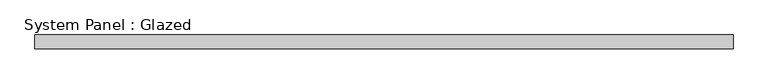
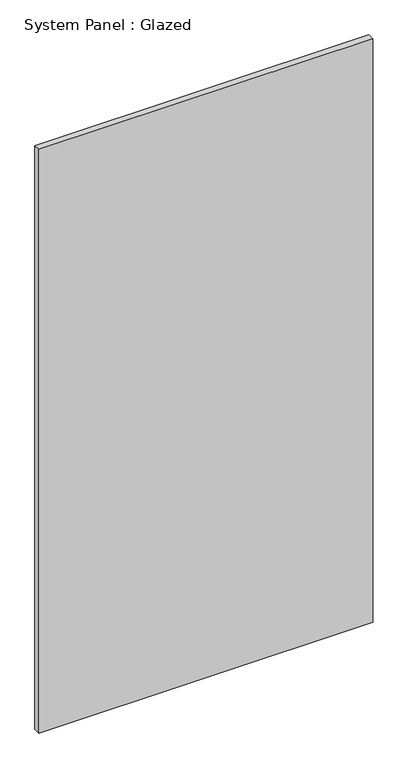
"""IFC4 building model written with IfcOpenShell, lengths in millimetres: plate geometry, System Panel : Glazed."""

from ifc_helpers import new_model, si_unit, origin, origin_with_axes, place, context, project, spatial, polyline, outline, extrude, source, transform, mapped, element, save


def system_panel_glazed_411afc1c(model_context):
    return source(origin(), model_context, "Body", "SweptSolid", [
        extrude(outline(polyline([(629.1666668, 24.5), (-629.1666668, 24.5), (-629.1666668, 49.5), (629.1666668, 49.5), (629.1666668, 24.5)])), origin_with_axes(), (0.0, 0.0, 1.0), 2325.0),
    ])


if __name__ == "__main__":
    model = new_model("IFC4")
    model_context = context("Model", 3, world=origin())
    ifc_project = project(units=[si_unit("LENGTHUNIT", "METRE", prefix="MILLI")], contexts=[model_context])
    site = spatial("IfcSite", under=ifc_project)
    building = spatial("IfcBuilding", under=site)
    placement = place(None, origin())
    system_panel_glazed_shape = system_panel_glazed_411afc1c(model_context)
    element("IfcPlate", 1, ObjectType="System Panel : Glazed", at=placement, inside=building, context=model_context, shape_type="MappedRepresentation", body=[
        mapped(system_panel_glazed_shape, transform((0.0, 0.0, 0.0), x_axis=(1.0, 0.0, 0.0), y_axis=(0.0, 1.0, 0.0), z_axis=(0.0, 0.0, 1.0))),
    ])
    save(model, "model.ifc")
